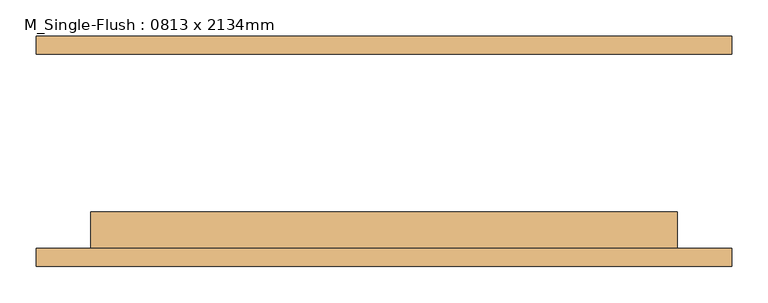
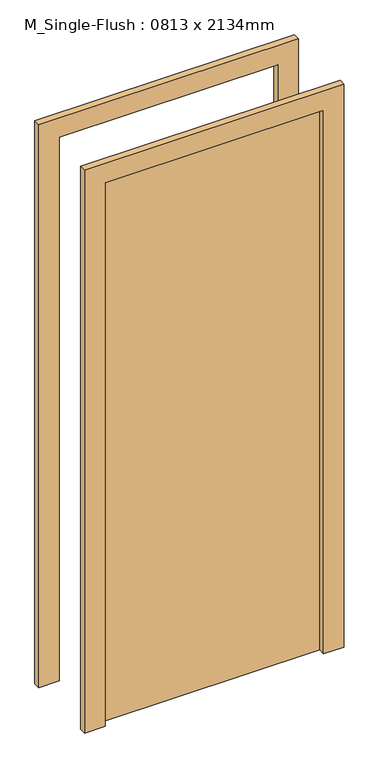
"""IFC4 building model written with IfcOpenShell, lengths in millimetres: door geometry, M_Single-Flush : 0813 x 2134mm."""

from ifc_helpers import new_model, si_unit, frame, origin, origin_with_axes, place, context, project, spatial, polyline, outline, extrude, source, transform, mapped, element, save


def m_single_flush_0813_x_2134mm_9baba73d(model_context):
    return source(origin(), model_context, "Body", "SweptSolid", [
        extrude(outline(polyline([(2210.0, -482.5), (0.0, -482.5), (0.0, -406.5), (2134.0, -406.5), (2134.0, 406.5), (0.0, 406.5), (0.0, 482.5), (2210.0, 482.5), (2210.0, -482.5)])), frame((0.0, -160.0, 0.0), z_axis=(0.0, 1.0, 0.0), x_axis=(0.0, 0.0, 1.0)), (0.0, 0.0, 1.0), 25.0),
        extrude(outline(polyline([(2210.0, 482.5), (2210.0, -482.5), (0.0, -482.5), (0.0, -406.5), (2134.0, -406.5), (2134.0, 406.5), (0.0, 406.5), (0.0, 482.5), (2210.0, 482.5)])), frame((0.0, 135.0, 0.0), z_axis=(0.0, 1.0, 0.0), x_axis=(0.0, 0.0, 1.0)), (0.0, 0.0, 1.0), 25.0),
        extrude(outline(polyline([(406.5, -84.0), (406.5, -135.0), (-406.5, -135.0), (-406.5, -84.0), (406.5, -84.0)])), origin_with_axes(), (0.0, 0.0, 1.0), 2134.0),
    ])


if __name__ == "__main__":
    model = new_model("IFC4")
    model_context = context("Model", 3, world=origin())
    ifc_project = project(units=[si_unit("LENGTHUNIT", "METRE", prefix="MILLI")], contexts=[model_context])
    site = spatial("IfcSite", under=ifc_project)
    building = spatial("IfcBuilding", under=site)
    placement = place(None, origin())
    m_single_flush_0813_x_2134mm_shape = m_single_flush_0813_x_2134mm_9baba73d(model_context)
    element("IfcDoor", 1, ObjectType="M_Single-Flush : 0813 x 2134mm", at=placement, inside=building, context=model_context, shape_type="MappedRepresentation", body=[
        mapped(m_single_flush_0813_x_2134mm_shape, transform((0.0, 0.0, 0.0), x_axis=(1.0, 0.0, 0.0), y_axis=(0.0, 1.0, 0.0), z_axis=(0.0, 0.0, 1.0))),
    ])
    save(model, "model.ifc")
